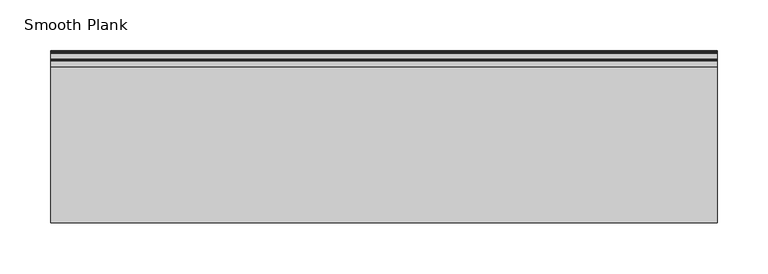
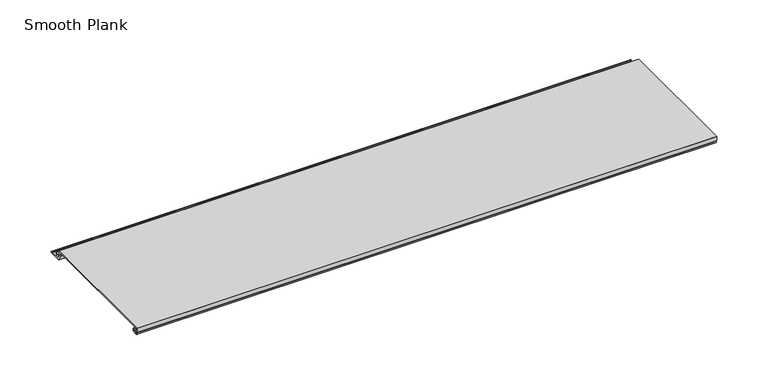
"""IFC4 building model written with IfcOpenShell, lengths in millimetres: proxy geometry, Smooth Plank."""

from ifc_helpers import new_model, si_unit, frame, origin, place, context, project, spatial, polyline, circle_curve, source, transform, mapped, element, save
from ifc_brep_helpers import plane_surface, cylinder_surface, revolved_surface, advanced_brep


def smooth_plank_32c7f4d0(model_context):
    return source(origin(), model_context, "Body", "AdvancedBrep", [
        advanced_brep(
        [(0.0, 4.8744927, 8.2680202), (0.0, 3.9294566, 8.3110101), (0.0, 1.090066, 8.354), (0.0, 0.0792777, 8.354), (0.0, -0.0001544, 13.254), (0.0, 152.3996911, 13.254), (0.0, 152.3996911, 8.147108), (0.0, 158.290736, 8.147108), (0.0, 158.273537, 6.6272053), (0.0, 154.1504562, 6.6270998), (0.0, 153.6158999, 5.7546122), (0.0, 154.7631389, 3.504), (0.0, 159.5477238, 3.504), (0.0, 160.3050221, 2.8685513), (0.0, 166.0976087, 2.8685513), (0.0, 166.854907, 3.504), (0.0, 167.804907, 3.504), (0.0, 167.804907, 1.854), (0.0, 153.8453645, 1.854), (0.0, 150.8296911, 7.7700394), (0.0, 150.8296911, 11.684), (0.0, 2.2248214, 11.684), (0.0, 2.2248214, 10.494), (0.0, 3.6558496, 10.494), (0.0, 4.9451168, 9.4973352), (0.0, 6.3249897, 9.4330632), (0.0, 6.2187315, 4.8680202), (0.0, 2.2864187, 4.8680202), (0.0, 2.2365622, 6.1943028), (0.0, 4.5052255, 6.3180202), (0.0, 6.0737133, 6.3180202), (0.0, 6.0737133, 8.2680202), (653.773, 4.8744927, 8.2680202), (653.773, 6.0737133, 8.2680202), (653.773, 6.0737133, 6.3180202), (653.773, 4.5052255, 6.3180202), (653.773, 2.2365622, 6.1943028), (653.773, 2.2864187, 4.8680202), (653.773, 6.2187315, 4.8680202), (653.773, 6.3249897, 9.4330632), (653.773, 4.9451168, 9.4973352), (653.773, 3.6558496, 10.494), (653.773, 2.2248214, 10.494), (653.773, 2.2248214, 11.684), (653.773, 150.8296911, 11.684), (653.773, 150.8296911, 7.7700394), (653.773, 153.8453645, 1.854), (653.773, 167.804907, 1.854), (653.773, 167.804907, 3.504), (653.773, 166.854907, 3.504), (653.773, 166.0976087, 2.8685513), (653.773, 160.3050221, 2.8685513), (653.773, 159.5477238, 3.504), (653.773, 154.7631389, 3.504), (653.773, 153.6158999, 5.7546122), (653.773, 154.1504562, 6.6270998), (653.773, 158.273537, 6.6270998), (653.773, 158.290736, 8.147108), (653.773, 152.3996911, 8.147108), (653.773, 152.3996911, 13.254), (653.773, -0.0001545, 13.254), (653.773, 0.0792777, 8.354), (653.773, 1.090066, 8.354), (653.773, 3.9294566, 8.3110101)],
        [
            (0, 1),
            (1, 2, circle_curve(frame((0.0, 2.4844378, 6.6599411), z_axis=(1.0, 0.0, 0.0), x_axis=(0.0, 1.0, 0.0)), 2.1941076)),
            (2, 3),
            (3, 4),
            (4, 5),
            (5, 6),
            (6, 7),
            (7, 8, circle_curve(frame((0.0, 158.2821365, 7.3871566), z_axis=(-1.0, 0.0, 0.0), x_axis=(0.0, 1.0, 0.0)), 0.76)),
            (8, 9),
            (9, 10, circle_curve(frame((0.0, 154.1504562, 6.0270998), z_axis=(1.0, 0.0, 0.0), x_axis=(0.0, 1.0, 0.0)), 0.6)),
            (10, 11),
            (11, 12),
            (12, 13),
            (13, 14),
            (14, 15),
            (15, 16),
            (16, 17, circle_curve(frame((0.0, 167.804907, 2.679), z_axis=(-1.0, 0.0, 0.0), x_axis=(0.0, 1.0, 0.0)), 0.825)),
            (17, 18),
            (18, 19),
            (19, 20),
            (20, 21),
            (21, 22, circle_curve(frame((0.0, 2.2248214, 11.089), z_axis=(1.0, 0.0, 0.0), x_axis=(0.0, 1.0, 0.0)), 0.595)),
            (22, 23),
            (23, 24),
            (24, 25),
            (25, 26, circle_curve(frame((0.0, 6.2187315, 7.1517784), z_axis=(-1.0, 0.0, 0.0), x_axis=(0.0, 1.0, 0.0)), 2.2837581)),
            (26, 27),
            (27, 28, circle_curve(frame((0.0, 2.2864187, 5.5320986), z_axis=(-1.0, 0.0, 0.0), x_axis=(0.0, 1.0, 0.0)), 0.6640784)),
            (28, 29),
            (29, 30),
            (30, 31, circle_curve(frame((0.0, 6.0737133, 7.2930202), z_axis=(1.0, 0.0, 0.0), x_axis=(0.0, 1.0, 0.0)), 0.975)),
            (31, 0),
            (32, 33),
            (33, 34, circle_curve(frame((653.773, 6.0737133, 7.2930202), z_axis=(-1.0, 0.0, 0.0), x_axis=(0.0, 1.0, 0.0)), 0.975)),
            (34, 35),
            (35, 36),
            (36, 37, circle_curve(frame((653.773, 2.2864187, 5.5320986), z_axis=(1.0, 0.0, 0.0), x_axis=(0.0, 1.0, 0.0)), 0.6640784)),
            (37, 38),
            (38, 39, circle_curve(frame((653.773, 6.2187315, 7.1517784), z_axis=(1.0, 0.0, 0.0), x_axis=(0.0, 1.0, 0.0)), 2.2837581)),
            (39, 40),
            (40, 41),
            (41, 42),
            (42, 43, circle_curve(frame((653.773, 2.2248214, 11.089), z_axis=(-1.0, 0.0, 0.0), x_axis=(0.0, 1.0, 0.0)), 0.595)),
            (43, 44),
            (44, 45),
            (45, 46),
            (46, 47),
            (47, 48, circle_curve(frame((653.773, 167.804907, 2.679), z_axis=(1.0, 0.0, 0.0), x_axis=(0.0, 1.0, 0.0)), 0.825)),
            (48, 49),
            (49, 50),
            (50, 51),
            (51, 52),
            (52, 53),
            (53, 54),
            (54, 55, circle_curve(frame((653.773, 154.1504562, 6.0270998), z_axis=(-1.0, 0.0, 0.0), x_axis=(0.0, 1.0, 0.0)), 0.6)),
            (55, 56),
            (56, 57, circle_curve(frame((653.773, 158.2821365, 7.3871566), z_axis=(1.0, 0.0, 0.0), x_axis=(0.0, 1.0, 0.0)), 0.76)),
            (57, 58),
            (58, 59),
            (59, 60),
            (60, 61),
            (61, 62),
            (62, 63, circle_curve(frame((653.773, 2.4844378, 6.6599411), z_axis=(-1.0, 0.0, 0.0), x_axis=(0.0, 1.0, 0.0)), 2.1941076)),
            (63, 32),
            (0, 32),
            (63, 1),
            (62, 2),
            (61, 3),
            (60, 4),
            (59, 5),
            (6, 58),
            (57, 7),
            (56, 8),
            (55, 9),
            (54, 10),
            (53, 11),
            (52, 12),
            (51, 13),
            (50, 14),
            (49, 15),
            (48, 16),
            (47, 17),
            (46, 18),
            (45, 19),
            (20, 44),
            (43, 21),
            (24, 40),
            (39, 25),
            (38, 26),
            (37, 27),
            (36, 28),
            (35, 29),
            (34, 30),
            (33, 31),
            (42, 22),
            (41, 23),
        ],
        [
            plane_surface(frame((0.0, 0.0, 13.254), z_axis=(-1.0, 0.0, 0.0), x_axis=(0.0, 0.0, 1.0))),
            plane_surface(frame((653.773, 0.0, 13.254), z_axis=(1.0, 0.0, 0.0), x_axis=(0.0, 0.0, 1.0))),
            plane_surface(frame((0.0, 4.8744927, 8.2680202), z_axis=(0.0, -0.0454431993537408, -0.998966924193437), x_axis=(1.0, 0.0, 0.0))),
            revolved_surface(polyline([(653.773, 4.6785454, 6.6599411), (0.0, 4.6785454, 6.6599411)]), (0.0, 2.4844378, 6.6599411), (1.0, 0.0, 0.0)),
            plane_surface(frame((0.0, 1.090066, 8.354), z_axis=(0.0, 0.0, -1.0), x_axis=(1.0, 0.0, 0.0))),
            plane_surface(frame((0.0, 0.0792777, 8.354), z_axis=(0.0, -0.9998686335034459, -0.016208508134682206), x_axis=(1.0, 0.0, 0.0))),
            plane_surface(frame((0.0, -0.0001544, 13.254), z_axis=(0.0, 0.0, 1.0), x_axis=(1.0, 0.0, 0.0))),
            plane_surface(frame((0.0, 152.3996911, 8.147108), z_axis=(0.0, 0.0, 1.0), x_axis=(1.0, 0.0, 0.0))),
            cylinder_surface(frame((0.0, 158.2821365, 7.3871566), z_axis=(-1.0, 0.0, 0.0), x_axis=(0.0, 1.0, 0.0)), 0.76),
            plane_surface(frame((0.0, 158.273537, 6.6270998), z_axis=(0.0, 0.0, -1.0), x_axis=(1.0, 0.0, 0.0))),
            revolved_surface(polyline([(653.773, 154.7504562, 6.0270998), (0.0, 154.7504562, 6.0270998)]), (0.0, 154.1504562, 6.0270998), (1.0, 0.0, 0.0)),
            plane_surface(frame((0.0, 153.6158999, 5.7546122), z_axis=(0.0, 0.8909272743742572, 0.45414600270844285), x_axis=(1.0, 0.0, 0.0))),
            plane_surface(frame((0.0, 154.7631389, 3.504), z_axis=(0.0, 0.0, 1.0), x_axis=(1.0, 0.0, 0.0))),
            plane_surface(frame((0.0, 159.5477238, 3.504), z_axis=(0.0, 0.6427876096865325, 0.7660444431189838), x_axis=(1.0, 0.0, 0.0))),
            plane_surface(frame((0.0, 160.3050221, 2.8685513), z_axis=(0.0, 0.0, 1.0), x_axis=(1.0, 0.0, 0.0))),
            plane_surface(frame((0.0, 166.0976087, 2.8685513), z_axis=(0.0, -0.6427876096865227, 0.766044443118992), x_axis=(1.0, 0.0, 0.0))),
            plane_surface(frame((0.0, 166.854907, 3.504), z_axis=(0.0, 0.0, 1.0), x_axis=(1.0, 0.0, 0.0))),
            cylinder_surface(frame((0.0, 167.804907, 2.679), z_axis=(-1.0, 0.0, 0.0), x_axis=(0.0, 1.0, 0.0)), 0.825),
            plane_surface(frame((0.0, 167.804907, 1.854), z_axis=(0.0, 0.0, -1.0), x_axis=(1.0, 0.0, 0.0))),
            plane_surface(frame((0.0, 153.8453645, 1.854), z_axis=(0.0, -0.8909272743276322, -0.45414600279991024), x_axis=(1.0, 0.0, 0.0))),
            plane_surface(frame((0.0, 150.8296911, 11.684), z_axis=(0.0, 0.0, -1.0), x_axis=(1.0, 0.0, 0.0))),
            plane_surface(frame((0.0, 4.9451168, 9.4973352), z_axis=(0.0, 0.04652776816328424, 0.9989169969470656), x_axis=(1.0, 0.0, 0.0))),
            cylinder_surface(frame((0.0, 6.2187315, 7.1517784), z_axis=(-1.0, 0.0, 0.0), x_axis=(0.0, 1.0, 0.0)), 2.2837581),
            plane_surface(frame((0.0, 6.2187315, 4.8680202), z_axis=(0.0, 0.0, -1.0), x_axis=(1.0, 0.0, 0.0))),
            cylinder_surface(frame((0.0, 2.2864187, 5.5320986), z_axis=(-1.0, 0.0, 0.0), x_axis=(0.0, 1.0, 0.0)), 0.6640784),
            plane_surface(frame((0.0, 2.2365622, 6.1943028), z_axis=(0.0, -0.05445228147223457, 0.9985163739481034), x_axis=(1.0, 0.0, 0.0))),
            plane_surface(frame((0.0, 4.5052255, 6.3180202), z_axis=(0.0, 0.0, 1.0), x_axis=(1.0, 0.0, 0.0))),
            revolved_surface(polyline([(653.773, 7.048713299999999, 7.2930202), (0.0, 7.048713299999999, 7.2930202)]), (0.0, 6.0737133, 7.2930202), (1.0, 0.0, 0.0)),
            plane_surface(frame((0.0, 6.0737133, 8.2680202), z_axis=(0.0, 0.0, -1.0), x_axis=(1.0, 0.0, 0.0))),
            revolved_surface(polyline([(653.773, 2.8198214000000004, 11.089), (0.0, 2.8198214000000004, 11.089)]), (0.0, 2.2248214, 11.089), (1.0, 0.0, 0.0)),
            plane_surface(frame((0.0, 2.2248214, 10.494), z_axis=(0.0, 0.0, 1.0), x_axis=(1.0, 0.0, 0.0))),
            plane_surface(frame((0.0, 152.3996911, 13.254), z_axis=(0.0, 1.0, 0.0), x_axis=(1.0, 0.0, 0.0))),
            plane_surface(frame((0.0, 150.8296911, 7.7700394), z_axis=(0.0, -1.0, 0.0), x_axis=(1.0, 0.0, 0.0))),
            plane_surface(frame((0.0, 3.6558496, 10.494), z_axis=(0.0, 0.6116061127853081, 0.7911624124057242), x_axis=(1.0, 0.0, 0.0))),
        ],
        [
            (0, [[1, 2, 3, 4, 5, 6, 7, 8, 9, 10, 11, 12, 13, 14, 15, 16, 17, 18, 19, 20, 21, 22, 23, 24, 25, 26, 27, 28, 29, 30, 31, 32]]),
            (1, [[33, 34, 35, 36, 37, 38, 39, 40, 41, 42, 43, 44, 45, 46, 47, 48, 49, 50, 51, 52, 53, 54, 55, 56, 57, 58, 59, 60, 61, 62, 63, 64]]),
            (2, [[-1, 65, -64, 66]]),
            (3, [[-2, -66, -63, 67]]),
            (4, [[-3, -67, -62, 68]]),
            (5, [[-4, -68, -61, 69]]),
            (6, [[-5, -69, -60, 70]]),
            (7, [[-7, 71, -58, 72]]),
            (8, [[-8, -72, -57, 73]]),
            (9, [[-9, -73, -56, 74]]),
            (10, [[-10, -74, -55, 75]]),
            (11, [[-11, -75, -54, 76]]),
            (12, [[-12, -76, -53, 77]]),
            (13, [[-13, -77, -52, 78]]),
            (14, [[-14, -78, -51, 79]]),
            (15, [[-15, -79, -50, 80]]),
            (16, [[-16, -80, -49, 81]]),
            (17, [[-17, -81, -48, 82]]),
            (18, [[-18, -82, -47, 83]]),
            (19, [[-19, -83, -46, 84]]),
            (20, [[-21, 85, -44, 86]]),
            (21, [[-25, 87, -40, 88]]),
            (22, [[-26, -88, -39, 89]]),
            (23, [[-27, -89, -38, 90]]),
            (24, [[-28, -90, -37, 91]]),
            (25, [[-29, -91, -36, 92]]),
            (26, [[-30, -92, -35, 93]]),
            (27, [[-31, -93, -34, 94]]),
            (28, [[-32, -94, -33, -65]]),
            (29, [[-22, -86, -43, 95]]),
            (30, [[-23, -95, -42, 96]]),
            (31, [[-6, -70, -59, -71]]),
            (32, [[-20, -84, -45, -85]]),
            (33, [[-24, -96, -41, -87]]),
        ],
    ),
    ])


if __name__ == "__main__":
    model = new_model("IFC4")
    model_context = context("Model", 3, world=origin())
    ifc_project = project(units=[si_unit("LENGTHUNIT", "METRE", prefix="MILLI")], contexts=[model_context])
    site = spatial("IfcSite", under=ifc_project)
    building = spatial("IfcBuilding", under=site)
    placement = place(None, origin())
    smooth_plank_shape = smooth_plank_32c7f4d0(model_context)
    element("IfcBuildingElementProxy", 1, Name="Smooth Plank", ObjectType="Smooth Plank", at=placement, inside=building, context=model_context, shape_type="MappedRepresentation", body=[
        mapped(smooth_plank_shape, transform((0.0, 0.0, 0.0), x_axis=(1.0, 0.0, 0.0), y_axis=(0.0, 1.0, 0.0), z_axis=(0.0, 0.0, 1.0))),
    ])
    save(model, "model.ifc")
